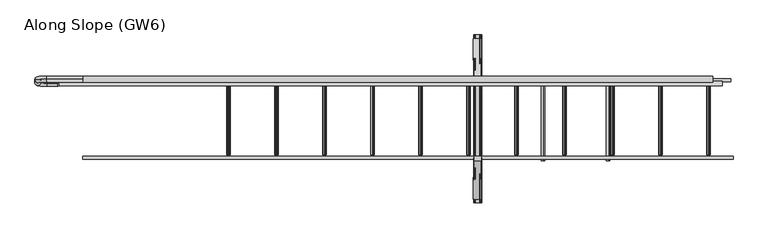
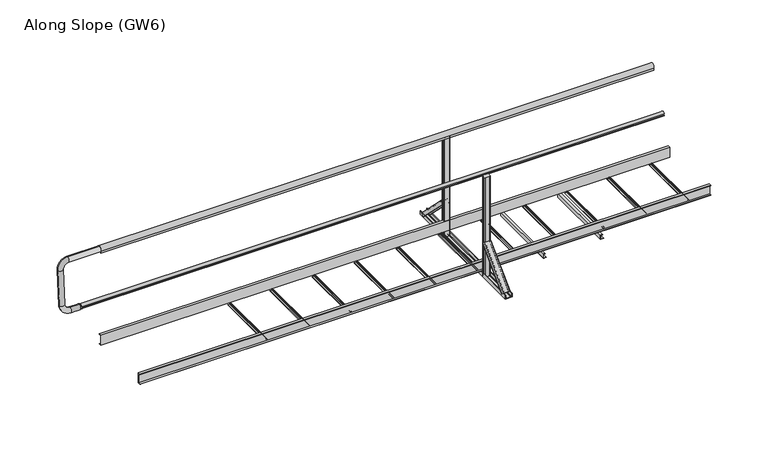
"""IFC4 building model written with IfcOpenShell, lengths in millimetres: proxy geometry, Along Slope (GW6)."""

from ifc_helpers import new_model, si_unit, point, frame, frame_2d, origin, place, context, project, spatial, polyline, circle_curve, ellipse_curve, trimmed, segment, composite_curve, outline, extrude, source, transform, mapped, element, save
from ifc_brep_helpers import plane_surface, cylinder_surface, revolved_surface, extruded_surface, advanced_brep


def along_slope_gw6_f67b24fd(model_context):
    return source(origin(), model_context, "Body", "SolidModel", [
        extrude(outline(polyline([(34.5, 63.0), (9.5, 63.0), (9.5, 163.0), (34.5, 163.0), (34.5, 160.0), (12.5, 160.0), (12.5, 66.0), (34.5, 66.0), (34.5, 63.0)])), frame((0.0, 0.0, 0.0), z_axis=(1.0, 0.0, 0.0), x_axis=(0.0, 1.0, 0.0)), (0.0, 0.0, 1.0), 5400.0),
        advanced_brep(
        [(3320.1666667, 368.6980515, 38.0000003), (3320.1666667, 342.888654, 12.1906028), (3317.1666667, 342.888654, 12.1906028), (3317.1666667, 366.5767312, 35.87868), (3307.1666667, 366.5767312, 35.87868), (3307.1666667, 364.8089642, 34.110913), (3306.1666667, 364.8089642, 34.110913), (3306.1666667, 366.5767312, 35.87868), (3269.1666667, 366.5767312, 35.87868), (3269.1666667, 364.8089642, 34.110913), (3268.1666667, 364.8089642, 34.110913), (3268.1666667, 366.5767312, 35.87868), (3258.1666667, 366.5767312, 35.87868), (3258.1666667, 342.888654, 12.1906028), (3255.1666667, 342.888654, 12.1906028), (3255.1666667, 368.6980515, 38.0000003), (3323.1666667, 50.5, 356.1980519), (3258.1666667, 50.5, 356.1980519), (3258.1666667, 24.6906025, 330.3886543), (3261.1666667, 24.6906025, 330.3886543), (3261.1666667, 48.3786797, 354.0767315), (3271.1666667, 48.3786797, 354.0767315), (3271.1666667, 46.6109127, 352.3089646), (3272.1666667, 46.6109127, 352.3089646), (3272.1666667, 48.3786797, 354.0767315), (3309.1666667, 48.3786797, 354.0767315), (3309.1666667, 46.6109127, 352.3089646), (3310.1666667, 46.6109127, 352.3089646), (3310.1666667, 48.3786797, 354.0767315), (3320.1666667, 48.3786797, 354.0767315), (3320.1666667, 24.6906025, 330.3886543), (3323.1666667, 24.6906025, 330.3886543)],
        [
            (0, 1),
            (1, 2, circle_curve(frame((3318.6666667, 342.888654, 12.1906028), z_axis=(0.0, 0.7071067811865506, -0.7071067811865446), x_axis=(0.0, 0.7071067811865446, 0.7071067811865506)), 1.5)),
            (2, 3),
            (3, 4),
            (4, 5),
            (5, 6, circle_curve(frame((3306.6666667, 364.8089642, 34.110913), z_axis=(0.0, 0.7071067811865506, -0.7071067811865446), x_axis=(0.0, 0.7071067811865446, 0.7071067811865506)), 0.5)),
            (6, 7),
            (7, 8),
            (8, 9),
            (9, 10, circle_curve(frame((3268.6666667, 364.8089642, 34.110913), z_axis=(0.0, 0.7071067811865506, -0.7071067811865446), x_axis=(0.0, 0.7071067811865446, 0.7071067811865506)), 0.5)),
            (10, 11),
            (11, 12),
            (12, 13),
            (13, 14, circle_curve(frame((3256.6666667, 342.888654, 12.1906028), z_axis=(0.0, 0.7071067811865506, -0.7071067811865446), x_axis=(0.0, 0.7071067811865446, 0.7071067811865506)), 1.5)),
            (14, 15),
            (15, 0),
            (16, 17),
            (17, 18),
            (18, 19, circle_curve(frame((3259.6666667, 24.6906025, 330.3886543), z_axis=(0.0, -0.7071067811865506, 0.7071067811865446), x_axis=(0.0, 0.7071067811865446, 0.7071067811865506)), 1.5)),
            (19, 20),
            (20, 21),
            (21, 22),
            (22, 23, circle_curve(frame((3271.6666667, 46.6109127, 352.3089646), z_axis=(0.0, -0.7071067811865506, 0.7071067811865446), x_axis=(0.0, 0.7071067811865446, 0.7071067811865506)), 0.5)),
            (23, 24),
            (24, 25),
            (25, 26),
            (26, 27, circle_curve(frame((3309.6666667, 46.6109127, 352.3089646), z_axis=(0.0, -0.7071067811865506, 0.7071067811865446), x_axis=(0.0, 0.7071067811865446, 0.7071067811865506)), 0.5)),
            (27, 28),
            (28, 29),
            (29, 30),
            (30, 31, circle_curve(frame((3321.6666667, 24.6906025, 330.3886543), z_axis=(0.0, -0.7071067811865506, 0.7071067811865446), x_axis=(0.0, 0.7071067811865446, 0.7071067811865506)), 1.5)),
            (31, 16),
            (31, 1),
            (0, 16),
            (30, 2),
            (29, 3),
            (28, 4),
            (27, 5),
            (26, 6),
            (25, 7),
            (24, 8),
            (23, 9),
            (22, 10),
            (21, 11),
            (20, 12),
            (19, 13),
            (18, 14),
            (17, 15),
        ],
        [
            plane_surface(frame((3287.6666667, 360.4779352, 29.779884), z_axis=(0.0, 0.7071067811865502, -0.7071067811865449), x_axis=(0.0, -0.7071067811865449, -0.7071067811865502))),
            plane_surface(frame((3290.6666667, 42.2798837, 347.9779355), z_axis=(0.0, -0.7071067811865505, 0.7071067811865447), x_axis=(0.0, -0.7071067811865447, -0.7071067811865505))),
            plane_surface(frame((3323.1666667, 37.5953012, 343.2933531), z_axis=(0.9999777785184913, 0.004713940454838276, -0.004713940454838116), x_axis=(0.0, -0.7071067811865449, -0.7071067811865502))),
            extruded_surface(trimmed(circle_curve(frame((3321.6666667, 24.6906025, 330.3886543), z_axis=(0.0, 0.7071067811865506, -0.7071067811865446), x_axis=(0.0, 0.7071067811865446, 0.7071067811865506)), 1.5), [point((3323.1666667, 24.6906025, 330.3886543))], [point((3320.1666667, 24.6906025, 330.3886543))], True, "CARTESIAN"), (-3.0, 318.19805149999996, -318.19805149999996), 450.009999840885),
            plane_surface(frame((3320.1666667, 36.5346411, 342.2326929), z_axis=(-0.9999777785184911, -0.004713940454837886, 0.00471394045483772), x_axis=(0.0, 0.7071067811865445, 0.7071067811865506))),
            plane_surface(frame((3315.1666667, 48.3786797, 354.0767315), z_axis=(0.0, -0.7071067811865455, -0.7071067811865496), x_axis=(-1.0, 0.0, 0.0))),
            plane_surface(frame((3310.1666667, 47.4947962, 353.192848), z_axis=(0.9999777785184913, 0.004713940454838199, -0.0047139404548380325), x_axis=(0.0, -0.7071067811865445, -0.7071067811865507))),
            extruded_surface(trimmed(circle_curve(frame((3309.6666667, 46.6109127, 352.3089646), z_axis=(0.0, 0.7071067811865506, -0.7071067811865446), x_axis=(0.0, 0.7071067811865446, 0.7071067811865506)), 0.5), [point((3310.1666667, 46.6109127, 352.3089646))], [point((3309.1666667, 46.6109127, 352.3089646))], True, "CARTESIAN"), (-3.0, 318.1980515, -318.19805160000004), 450.00999991159415),
            plane_surface(frame((3309.1666667, 47.4947962, 353.192848), z_axis=(-0.9999777785184912, -0.004713940454838169, 0.0047139404548381045), x_axis=(0.0, 0.7071067811865521, 0.707106781186543))),
            plane_surface(frame((3290.6666667, 48.3786797, 354.0767315), z_axis=(0.0, -0.7071067811865461, -0.7071067811865491), x_axis=(-1.0, 0.0, 0.0))),
            plane_surface(frame((3272.1666667, 47.4947962, 353.192848), z_axis=(0.9999777785184911, 0.004713940454838164, -0.004713940454837987), x_axis=(0.0, -0.7071067811865436, -0.7071067811865515))),
            extruded_surface(trimmed(circle_curve(frame((3271.6666667, 46.6109127, 352.3089646), z_axis=(0.0, 0.7071067811865506, -0.7071067811865446), x_axis=(0.0, 0.7071067811865446, 0.7071067811865506)), 0.5), [point((3272.1666667, 46.6109127, 352.3089646))], [point((3271.1666667, 46.6109127, 352.3089646))], True, "CARTESIAN"), (-3.0, 318.1980515, -318.19805160000004), 450.00999991159415),
            plane_surface(frame((3271.1666667, 47.4947962, 353.192848), z_axis=(-0.9999777785184913, -0.004713940454838203, 0.004713940454838003), x_axis=(0.0, 0.7071067811865419, 0.7071067811865532))),
            plane_surface(frame((3266.1666667, 48.3786797, 354.0767315), z_axis=(0.0, -0.7071067811865461, -0.7071067811865491), x_axis=(-1.0, 0.0, 0.0))),
            plane_surface(frame((3261.1666667, 36.5346411, 342.2326929), z_axis=(0.9999777785184911, 0.004713940454838192, -0.004713940454838038), x_axis=(0.0, -0.7071067811865454, -0.7071067811865497))),
            extruded_surface(trimmed(circle_curve(frame((3259.6666667, 24.6906025, 330.3886543), z_axis=(0.0, 0.7071067811865506, -0.7071067811865446), x_axis=(0.0, 0.7071067811865446, 0.7071067811865506)), 1.5), [point((3261.1666667, 24.6906025, 330.3886543))], [point((3258.1666667, 24.6906025, 330.3886543))], True, "CARTESIAN"), (-3.0, 318.19805149999996, -318.19805149999996), 450.009999840885),
            plane_surface(frame((3258.1666667, 37.5953012, 343.2933531), z_axis=(-0.9999777785184911, -0.00471394045483825, 0.004713940454838091), x_axis=(0.0, 0.7071067811865449, 0.7071067811865501))),
            plane_surface(frame((3290.6666667, 50.5, 356.1980519), z_axis=(0.0, 0.7071067811865455, 0.7071067811865497), x_axis=(1.0, 0.0, 0.0))),
        ],
        [
            (0, [[1, 2, 3, 4, 5, 6, 7, 8, 9, 10, 11, 12, 13, 14, 15, 16]]),
            (1, [[17, 18, 19, 20, 21, 22, 23, 24, 25, 26, 27, 28, 29, 30, 31, 32]]),
            (2, [[-32, 33, -1, 34]]),
            (3, [[-31, 35, -2, -33]]),
            (4, [[-30, 36, -3, -35]]),
            (5, [[-29, 37, -4, -36]]),
            (6, [[-28, 38, -5, -37]]),
            (7, [[-27, 39, -6, -38]]),
            (8, [[-26, 40, -7, -39]]),
            (9, [[-25, 41, -8, -40]]),
            (10, [[-24, 42, -9, -41]]),
            (11, [[-23, 43, -10, -42]]),
            (12, [[-22, 44, -11, -43]]),
            (13, [[-21, 45, -12, -44]]),
            (14, [[-20, 46, -13, -45]]),
            (15, [[-19, 47, -14, -46]]),
            (16, [[-18, 48, -15, -47]]),
            (17, [[-17, -34, -16, -48]]),
        ],
    ),
        extrude(outline(composite_curve([segment(trimmed(circle_curve(frame_2d((3313.6666667, 45.5)), 5.0), [point((3313.6666667, 50.5))], [point((3318.6666667, 45.5))], False, "CARTESIAN"), True, "CONTINUOUS"), segment(polyline([(3318.6666667, 45.5), (3318.6666667, 17.5)]), True, "CONTINUOUS"), segment(trimmed(circle_curve(frame_2d((3313.6666667, 17.5)), 5.0), [point((3318.6666667, 17.5))], [point((3313.6666667, 12.5))], False, "CARTESIAN"), True, "CONTINUOUS"), segment(polyline([(3313.6666667, 12.5), (3267.6666667, 12.5)]), True, "CONTINUOUS"), segment(trimmed(circle_curve(frame_2d((3267.6666667, 17.5)), 5.0), [point((3267.6666667, 12.5))], [point((3262.6666667, 17.5))], False, "CARTESIAN"), True, "CONTINUOUS"), segment(polyline([(3262.6666667, 17.5), (3262.6666667, 45.5)]), True, "CONTINUOUS"), segment(trimmed(circle_curve(frame_2d((3267.6666667, 45.5)), 5.0), [point((3262.6666667, 45.5))], [point((3267.6666667, 50.5))], False, "CARTESIAN"), True, "CONTINUOUS"), segment(polyline([(3267.6666667, 50.5), (3313.6666667, 50.5)]), True, "CONTINUOUS")], self_intersect=False)), frame((0.0, 0.0, 3e-07), z_axis=(0.0, 0.0, 1.0), x_axis=(1.0, 0.0, 0.0)), (0.0, 0.0, 1.0), 1003.0),
        extrude(outline(composite_curve([segment(trimmed(circle_curve(frame_2d((3313.6666667, -617.5)), 5.0), [point((3313.6666667, -612.5))], [point((3318.6666667, -617.5))], False, "CARTESIAN"), True, "CONTINUOUS"), segment(polyline([(3318.6666667, -617.5), (3318.6666667, -645.5)]), True, "CONTINUOUS"), segment(trimmed(circle_curve(frame_2d((3313.6666667, -645.5)), 5.0), [point((3318.6666667, -645.5))], [point((3313.6666667, -650.5))], False, "CARTESIAN"), True, "CONTINUOUS"), segment(polyline([(3313.6666667, -650.5), (3267.6666667, -650.5)]), True, "CONTINUOUS"), segment(trimmed(circle_curve(frame_2d((3267.6666667, -645.5)), 5.0), [point((3267.6666667, -650.5))], [point((3262.6666667, -645.5))], False, "CARTESIAN"), True, "CONTINUOUS"), segment(polyline([(3262.6666667, -645.5), (3262.6666667, -617.5)]), True, "CONTINUOUS"), segment(trimmed(circle_curve(frame_2d((3267.6666667, -617.5)), 5.0), [point((3262.6666667, -617.5))], [point((3267.6666667, -612.5))], False, "CARTESIAN"), True, "CONTINUOUS"), segment(polyline([(3267.6666667, -612.5), (3313.6666667, -612.5)]), True, "CONTINUOUS")], self_intersect=False)), frame((0.0, 0.0, 3e-07), z_axis=(0.0, 0.0, 1.0), x_axis=(1.0, 0.0, 0.0)), (0.0, 0.0, 1.0), 1003.0),
        advanced_brep(
        [(3255.1666667, -968.7087394, 38.0000003), (3255.1666667, -942.8993419, 12.1906028), (3258.1666667, -942.8993419, 12.1906028), (3258.1666667, -966.5874191, 35.87868), (3268.1666667, -966.5874191, 35.87868), (3268.1666667, -964.8196521, 34.110913), (3269.1666667, -964.8196521, 34.110913), (3269.1666667, -966.5874191, 35.87868), (3306.1666667, -966.5874191, 35.87868), (3306.1666667, -964.8196521, 34.110913), (3307.1666667, -964.8196521, 34.110913), (3307.1666667, -966.5874191, 35.87868), (3317.1666667, -966.5874191, 35.87868), (3317.1666667, -942.8993419, 12.1906028), (3320.1666667, -942.8993419, 12.1906028), (3320.1666667, -968.7087394, 38.0000003), (3258.1666667, -650.5106879, 356.1980519), (3323.1666667, -650.5106879, 356.1980519), (3323.1666667, -624.7012904, 330.3886543), (3320.1666667, -624.7012904, 330.3886543), (3320.1666667, -648.3893676, 354.0767315), (3310.1666667, -648.3893676, 354.0767315), (3310.1666667, -646.6216006, 352.3089646), (3309.1666667, -646.6216006, 352.3089646), (3309.1666667, -648.3893676, 354.0767315), (3272.1666667, -648.3893676, 354.0767315), (3272.1666667, -646.6216006, 352.3089646), (3271.1666667, -646.6216006, 352.3089646), (3271.1666667, -648.3893676, 354.0767315), (3261.1666667, -648.3893676, 354.0767315), (3261.1666667, -624.7012904, 330.3886543), (3258.1666667, -624.7012904, 330.3886543)],
        [
            (0, 1),
            (1, 2, circle_curve(frame((3256.6666667, -942.8993419, 12.1906028), z_axis=(0.0, -0.7071067811865432, -0.7071067811865519), x_axis=(0.0, 0.7071067811865519, -0.7071067811865432)), 1.5)),
            (2, 3),
            (3, 4),
            (4, 5),
            (5, 6, circle_curve(frame((3268.6666667, -964.8196521, 34.110913), z_axis=(0.0, -0.7071067811865432, -0.7071067811865519), x_axis=(0.0, 0.7071067811865519, -0.7071067811865432)), 0.5)),
            (6, 7),
            (7, 8),
            (8, 9),
            (9, 10, circle_curve(frame((3306.6666667, -964.8196521, 34.110913), z_axis=(0.0, -0.7071067811865432, -0.7071067811865519), x_axis=(0.0, 0.7071067811865519, -0.7071067811865432)), 0.5)),
            (10, 11),
            (11, 12),
            (12, 13),
            (13, 14, circle_curve(frame((3318.6666667, -942.8993419, 12.1906028), z_axis=(0.0, -0.7071067811865432, -0.7071067811865519), x_axis=(0.0, 0.7071067811865519, -0.7071067811865432)), 1.5)),
            (14, 15),
            (15, 0),
            (16, 17),
            (17, 18),
            (18, 19, circle_curve(frame((3321.6666667, -624.7012904, 330.3886543), z_axis=(0.0, 0.7071067811865432, 0.7071067811865519), x_axis=(0.0, 0.7071067811865519, -0.7071067811865432)), 1.5)),
            (19, 20),
            (20, 21),
            (21, 22),
            (22, 23, circle_curve(frame((3309.6666667, -646.6216006, 352.3089646), z_axis=(0.0, 0.7071067811865432, 0.7071067811865519), x_axis=(0.0, 0.7071067811865519, -0.7071067811865432)), 0.5)),
            (23, 24),
            (24, 25),
            (25, 26),
            (26, 27, circle_curve(frame((3271.6666667, -646.6216006, 352.3089646), z_axis=(0.0, 0.7071067811865432, 0.7071067811865519), x_axis=(0.0, 0.7071067811865519, -0.7071067811865432)), 0.5)),
            (27, 28),
            (28, 29),
            (29, 30),
            (30, 31, circle_curve(frame((3259.6666667, -624.7012904, 330.3886543), z_axis=(0.0, 0.7071067811865432, 0.7071067811865519), x_axis=(0.0, 0.7071067811865519, -0.7071067811865432)), 1.5)),
            (31, 16),
            (31, 1),
            (0, 16),
            (30, 2),
            (29, 3),
            (28, 4),
            (27, 5),
            (26, 6),
            (25, 7),
            (24, 8),
            (23, 9),
            (22, 10),
            (21, 11),
            (20, 12),
            (19, 13),
            (18, 14),
            (17, 15),
        ],
        [
            plane_surface(frame((3287.6666667, -960.4886231, 29.779884), z_axis=(0.0, -0.707106781186543, -0.7071067811865521), x_axis=(0.0, 0.7071067811865521, -0.707106781186543))),
            plane_surface(frame((3290.6666667, -642.2905716, 347.9779355), z_axis=(0.0, 0.7071067811865432, 0.7071067811865519), x_axis=(0.0, 0.7071067811865519, -0.7071067811865432))),
            plane_surface(frame((3258.1666667, -637.6059891, 343.2933531), z_axis=(-0.9999777785184912, 0.004713940454842057, 0.004713940454841993), x_axis=(0.0, 0.7071067811865521, -0.707106781186543))),
            extruded_surface(trimmed(circle_curve(frame((3259.6666667, -624.7012904, 330.3886543), z_axis=(0.0, -0.7071067811865432, -0.7071067811865519), x_axis=(0.0, 0.7071067811865519, -0.7071067811865432)), 1.5), [point((3258.1666667, -624.7012904, 330.3886543))], [point((3261.1666667, -624.7012904, 330.3886543))], True, "CARTESIAN"), (-3.0, -318.1980515, -318.19805149999996), 450.009999840885),
            plane_surface(frame((3261.1666667, -636.545329, 342.2326929), z_axis=(0.9999777785184912, -0.004713940454842057, -0.004713940454841993), x_axis=(0.0, -0.7071067811865521, 0.707106781186543))),
            plane_surface(frame((3266.1666667, -648.3893676, 354.0767315), z_axis=(0.0, 0.7071067811865525, -0.7071067811865427), x_axis=(1.0, 0.0, 0.0))),
            plane_surface(frame((3271.1666667, -647.5054841, 353.192848), z_axis=(-0.9999777785184911, 0.004713940454842033, 0.004713940454842016), x_axis=(0.0, 0.7071067811865557, -0.7071067811865394))),
            extruded_surface(trimmed(circle_curve(frame((3271.6666667, -646.6216006, 352.3089646), z_axis=(0.0, -0.7071067811865432, -0.7071067811865519), x_axis=(0.0, 0.7071067811865519, -0.7071067811865432)), 0.5), [point((3271.1666667, -646.6216006, 352.3089646))], [point((3272.1666667, -646.6216006, 352.3089646))], True, "CARTESIAN"), (-3.0, -318.1980515, -318.19805160000004), 450.00999991159415),
            plane_surface(frame((3272.1666667, -647.5054841, 353.192848), z_axis=(0.9999777785184911, -0.004713940454842045, -0.004713940454842029), x_axis=(0.0, -0.7071067811865557, 0.7071067811865394))),
            plane_surface(frame((3290.6666667, -648.3893676, 354.0767315), z_axis=(0.0, 0.7071067811865525, -0.7071067811865427), x_axis=(1.0, 0.0, 0.0))),
            plane_surface(frame((3309.1666667, -647.5054841, 353.192848), z_axis=(-0.9999777785184911, 0.004713940454842039, 0.004713940454842022), x_axis=(0.0, 0.7071067811865557, -0.7071067811865394))),
            extruded_surface(trimmed(circle_curve(frame((3309.6666667, -646.6216006, 352.3089646), z_axis=(0.0, -0.7071067811865432, -0.7071067811865519), x_axis=(0.0, 0.7071067811865519, -0.7071067811865432)), 0.5), [point((3309.1666667, -646.6216006, 352.3089646))], [point((3310.1666667, -646.6216006, 352.3089646))], True, "CARTESIAN"), (-3.0, -318.1980515, -318.19805160000004), 450.00999991159415),
            plane_surface(frame((3310.1666667, -647.5054841, 353.192848), z_axis=(0.9999777785184911, -0.004713940454842066, -0.004713940454841994), x_axis=(0.0, -0.7071067811865515, 0.7071067811865436))),
            plane_surface(frame((3315.1666667, -648.3893676, 354.0767315), z_axis=(0.0, 0.7071067811865522, -0.707106781186543), x_axis=(1.0, 0.0, 0.0))),
            plane_surface(frame((3320.1666667, -636.545329, 342.2326929), z_axis=(-0.9999777785184911, 0.004713940454842064, 0.004713940454841998), x_axis=(0.0, 0.707106781186552, -0.7071067811865431))),
            extruded_surface(trimmed(circle_curve(frame((3321.6666667, -624.7012904, 330.3886543), z_axis=(0.0, -0.7071067811865432, -0.7071067811865519), x_axis=(0.0, 0.7071067811865519, -0.7071067811865432)), 1.5), [point((3320.1666667, -624.7012904, 330.3886543))], [point((3323.1666667, -624.7012904, 330.3886543))], True, "CARTESIAN"), (-3.0, -318.1980515, -318.19805149999996), 450.009999840885),
            plane_surface(frame((3323.1666667, -637.6059891, 343.2933531), z_axis=(0.9999777785184913, -0.004713940454842066, -0.004713940454841998), x_axis=(0.0, -0.7071067811865519, 0.7071067811865432))),
            plane_surface(frame((3290.6666667, -650.5106879, 356.1980519), z_axis=(0.0, -0.7071067811865526, 0.7071067811865427), x_axis=(-1.0, 0.0, 0.0))),
        ],
        [
            (0, [[1, 2, 3, 4, 5, 6, 7, 8, 9, 10, 11, 12, 13, 14, 15, 16]]),
            (1, [[17, 18, 19, 20, 21, 22, 23, 24, 25, 26, 27, 28, 29, 30, 31, 32]]),
            (2, [[-32, 33, -1, 34]]),
            (3, [[-31, 35, -2, -33]]),
            (4, [[-30, 36, -3, -35]]),
            (5, [[-29, 37, -4, -36]]),
            (6, [[-28, 38, -5, -37]]),
            (7, [[-27, 39, -6, -38]]),
            (8, [[-26, 40, -7, -39]]),
            (9, [[-25, 41, -8, -40]]),
            (10, [[-24, 42, -9, -41]]),
            (11, [[-23, 43, -10, -42]]),
            (12, [[-22, 44, -11, -43]]),
            (13, [[-21, 45, -12, -44]]),
            (14, [[-20, 46, -13, -45]]),
            (15, [[-19, 47, -14, -46]]),
            (16, [[-18, 48, -15, -47]]),
            (17, [[-17, -34, -16, -48]]),
        ],
    ),
        extrude(outline(composite_curve([segment(polyline([(3e-07, 3258.1666667), (3e-07, 3323.1666667), (36.5000003, 3323.1666667)]), True, "CONTINUOUS"), segment(trimmed(circle_curve(frame_2d((36.5000003, 3321.6666667)), 1.5), [point((36.5000003, 3323.1666667))], [point((36.5000003, 3320.1666667))], False, "CARTESIAN"), True, "CONTINUOUS"), segment(polyline([(36.5000003, 3320.1666667), (3.0000003, 3320.1666667), (3.0000003, 3310.1666667), (5.5000003, 3310.1666667)]), True, "CONTINUOUS"), segment(trimmed(circle_curve(frame_2d((5.5000003, 3309.6666667)), 0.5), [point((5.5000003, 3310.1666667))], [point((5.5000003, 3309.1666667))], False, "CARTESIAN"), True, "CONTINUOUS"), segment(polyline([(5.5000003, 3309.1666667), (3.0000003, 3309.1666667), (3.0000003, 3272.1666667), (5.5000003, 3272.1666667)]), True, "CONTINUOUS"), segment(trimmed(circle_curve(frame_2d((5.5000003, 3271.6666667)), 0.5), [point((5.5000003, 3272.1666667))], [point((5.5000003, 3271.1666667))], False, "CARTESIAN"), True, "CONTINUOUS"), segment(polyline([(5.5000003, 3271.1666667), (3.0000003, 3271.1666667), (3.0000003, 3261.1666667), (36.5000003, 3261.1666667)]), True, "CONTINUOUS"), segment(trimmed(circle_curve(frame_2d((36.5000003, 3259.6666667)), 1.5), [point((36.5000003, 3261.1666667))], [point((36.5000003, 3258.1666667))], False, "CARTESIAN"), True, "CONTINUOUS"), segment(polyline([(36.5000003, 3258.1666667), (3e-07, 3258.1666667)]), True, "CONTINUOUS")], self_intersect=False)), frame((0.0, -1000.0, 0.0), z_axis=(0.0, 1.0, 0.0), x_axis=(0.0, 0.0, 1.0)), (0.0, 0.0, 1.0), 1400.0),
        advanced_brep(
        [(-200.0, -3.2, 513.0), (-200.0, -3.2, 553.0), (-210.0, -3.2, 508.0), (-210.0, -3.2, 558.0)],
        [
            (0, 1, circle_curve(frame((-200.0, -3.2, 533.0), z_axis=(1.0, 0.0, 0.0), x_axis=(0.0, 0.0, 1.0)), 20.0)),
            (1, 0, circle_curve(frame((-200.0, -3.2, 533.0), z_axis=(1.0, 0.0, 0.0), x_axis=(0.0, 0.0, -1.0)), 20.0)),
            (2, 3, circle_curve(frame((-210.0, -3.2, 533.0), z_axis=(-1.0, 0.0, 0.0), x_axis=(0.0, 0.0, -1.0)), 25.0)),
            (3, 2, circle_curve(frame((-210.0, -3.2, 533.0), z_axis=(-1.0, 0.0, 0.0), x_axis=(0.0, 0.0, 1.0)), 25.0)),
            (2, 0),
            (1, 3),
        ],
        [
            plane_surface(frame((-200.0, -3.2, 533.0), z_axis=(1.0, 0.0, 0.0), x_axis=(0.0, -1.0, 0.0))),
            plane_surface(frame((-210.0, -3.2, 533.0), z_axis=(-1.0, 0.0, 0.0), x_axis=(0.0, -1.0, 0.0))),
            revolved_surface(polyline([(-200.0, -3.2, 513.0), (-210.0, -3.2, 508.0)]), (-160.0, -3.2, 533.0), (-1.0, 0.0, 0.0)),
            revolved_surface(polyline([(-200.0, -3.2, 553.0), (-210.0, -3.2, 558.0)]), (-160.0, -3.2, 533.0), (-1.0, 0.0, 0.0)),
        ],
        [
            (0, [[1, 2]]),
            (1, [[3, 4]]),
            (2, [[5, -2, 6, -3]]),
            (3, [[-6, -1, -5, -4]]),
        ],
    ),
        advanced_brep(
        [(0.0, 33.2768095, 1044.936779), (0.0, 29.7231905, 995.063221), (-300.0, 29.7231905, 995.063221), (-300.0, 33.2768095, 1044.936779), (-350.0, 26.1695715, 945.1896629), (-400.0, 26.1695715, 945.1896629), (-350.0, 2.1399996, 607.9446635), (-400.0, 2.1399996, 607.9446635), (-300.0, -1.4136194, 558.0711054), (-300.0, -4.9672384, 508.1975474), (-210.0, -4.9672384, 508.1975474), (-210.0, -1.4136194, 558.0711054)],
        [
            (0, 1, circle_curve(frame((0.0, 31.5, 1020.0), z_axis=(1.0, 0.0, 0.0), x_axis=(0.0, -0.07107238045512838, -0.9974711608545089)), 25.0)),
            (1, 0, circle_curve(frame((0.0, 31.5, 1020.0), z_axis=(1.0, 0.0, 0.0), x_axis=(0.0, -0.07107238045512838, -0.9974711608545089)), 25.0)),
            (1, 2),
            (2, 3, circle_curve(frame((-300.0, 31.5, 1020.0), z_axis=(1.0, 0.0, 0.0), x_axis=(0.0, -0.07107238045512838, -0.9974711608545089)), 25.0)),
            (3, 0),
            (3, 2, circle_curve(frame((-300.0, 31.5, 1020.0), z_axis=(1.0, 0.0, 0.0), x_axis=(0.0, -0.07107238045512838, -0.9974711608545089)), 25.0)),
            (4, 5, circle_curve(frame((-375.0, 26.1695715, 945.1896629), z_axis=(0.0, 0.07107238045512838, 0.9974711608545089), x_axis=(1.0000000000000002, 0.0, 0.0)), 25.0)),
            (5, 3, circle_curve(frame((-300.0, 26.1695715, 945.1896629), z_axis=(0.0, 0.9974711608545089, -0.07107238045512838), x_axis=(0.0, 0.07107238045512838, 0.9974711608545089)), 100.0)),
            (2, 4, circle_curve(frame((-300.0, 26.1695715, 945.1896629), z_axis=(0.0, -0.9974711608545089, 0.07107238045512838), x_axis=(0.0, 0.07107238045512838, 0.9974711608545089)), 50.0)),
            (5, 4, circle_curve(frame((-375.0, 26.1695715, 945.1896629), z_axis=(0.0, 0.07107238045512838, 0.9974711608545089), x_axis=(1.0000000000000002, 0.0, 0.0)), 25.0)),
            (4, 6),
            (6, 7, circle_curve(frame((-375.0, 2.1399996, 607.9446635), z_axis=(0.0, 0.07107238045512841, 0.997471160854509), x_axis=(1.0, 0.0, 0.0)), 25.0)),
            (7, 5),
            (7, 6, circle_curve(frame((-375.0, 2.1399996, 607.9446635), z_axis=(0.0, 0.07107238045512841, 0.997471160854509), x_axis=(1.0, 0.0, 0.0)), 25.0)),
            (8, 9, circle_curve(frame((-300.0, -3.1904289, 533.1343264), z_axis=(-1.0, 0.0, 0.0), x_axis=(0.0, 0.0710723804551284, 0.9974711608545089)), 25.0)),
            (9, 7, circle_curve(frame((-300.0, 2.1399996, 607.9446635), z_axis=(0.0, 0.9974711608545089, -0.07107238045512838), x_axis=(-1.0, 0.0, 0.0)), 100.0)),
            (6, 8, circle_curve(frame((-300.0, 2.1399996, 607.9446635), z_axis=(0.0, -0.9974711608545089, 0.07107238045512838), x_axis=(-1.0, 0.0, 0.0)), 50.0)),
            (9, 8, circle_curve(frame((-300.0, -3.1904289, 533.1343264), z_axis=(-1.0, 0.0, 0.0), x_axis=(0.0, 0.0710723804551284, 0.9974711608545089)), 25.0)),
            (10, 11, circle_curve(frame((-210.0, -3.1904289, 533.1343264), z_axis=(1.0, 0.0, 0.0), x_axis=(0.0, 0.07107238045512838, 0.9974711608545089)), 25.0)),
            (11, 10, circle_curve(frame((-210.0, -3.1904289, 533.1343264), z_axis=(1.0, 0.0, 0.0), x_axis=(0.0, 0.07107238045512838, 0.9974711608545089)), 25.0)),
            (8, 11),
            (10, 9),
        ],
        [
            plane_surface(frame((0.0, 33.2768095, 1044.936779), z_axis=(1.0, 0.0, 0.0), x_axis=(0.0, 0.9974711608545089, -0.07107238045512838))),
            cylinder_surface(frame((0.0, 31.5, 1020.0), z_axis=(1.0000000000000002, 0.0, 0.0), x_axis=(0.0, -0.07107238045512838, -0.9974711608545089)), 25.0),
            revolved_surface(trimmed(ellipse_curve(frame((-300.0, 31.5, 1020.0), z_axis=(-1.0000000000000002, 0.0, 0.0), x_axis=(0.0, -0.07107238045512838, -0.9974711608545089)), 25.0, 25.0), [point((-300.0, 33.2768095, 1044.936779))], [point((-300.0, 29.7231905, 995.063221))], True, "CARTESIAN"), (-300.0, 26.1695715, 945.1896629), (0.0, 0.9974711608545089, -0.07107238045512838)),
            revolved_surface(trimmed(ellipse_curve(frame((-300.0, 31.5, 1020.0), z_axis=(-1.0000000000000002, 0.0, 0.0), x_axis=(0.0, -0.07107238045512838, -0.9974711608545089)), 25.0, 25.0), [point((-300.0, 29.7231905, 995.063221))], [point((-300.0, 33.2768095, 1044.936779))], True, "CARTESIAN"), (-300.0, 26.1695715, 945.1896629), (0.0, 0.9974711608545089, -0.07107238045512838)),
            cylinder_surface(frame((-375.0, 26.1695715, 945.1896629), z_axis=(0.0, 0.0710723804551284, 0.9974711608545088), x_axis=(1.0, 0.0, 0.0)), 25.0),
            revolved_surface(trimmed(ellipse_curve(frame((-375.0, 2.1399996, 607.9446635), z_axis=(0.0, -0.07107238045512841, -0.9974711608545089), x_axis=(1.0, 0.0, 0.0)), 25.0, 25.0), [point((-400.0, 2.1399996, 607.9446635))], [point((-350.0, 2.1399996, 607.9446635))], True, "CARTESIAN"), (-300.0, 2.1399996, 607.9446635), (0.0, 0.9974711608545089, -0.07107238045512838)),
            revolved_surface(trimmed(ellipse_curve(frame((-375.0, 2.1399996, 607.9446635), z_axis=(0.0, -0.07107238045512841, -0.9974711608545089), x_axis=(1.0, 0.0, 0.0)), 25.0, 25.0), [point((-350.0, 2.1399996, 607.9446635))], [point((-400.0, 2.1399996, 607.9446635))], True, "CARTESIAN"), (-300.0, 2.1399996, 607.9446635), (0.0, 0.9974711608545089, -0.07107238045512838)),
            plane_surface(frame((-210.0, -4.9672384, 508.1975474), z_axis=(1.0, 0.0, 0.0), x_axis=(0.0, 0.9974711608545089, -0.07107238045512838))),
            cylinder_surface(frame((-300.0, -3.1904289, 533.1343264), z_axis=(-1.0, 0.0, 0.0), x_axis=(0.0, 0.07107238045512838, 0.9974711608545089)), 25.0),
        ],
        [
            (0, [[1, 2]]),
            (1, [[3, 4, 5, -2]]),
            (1, [[-5, 6, -3, -1]]),
            (2, [[7, 8, -4, 9]]),
            (3, [[10, -9, -6, -8]]),
            (4, [[11, 12, 13, -7]]),
            (4, [[-13, 14, -11, -10]]),
            (5, [[15, 16, -12, 17]]),
            (6, [[18, -17, -14, -16]]),
            (7, [[19, 20]]),
            (8, [[21, -19, 22, -15]]),
            (8, [[-22, -20, -21, -18]]),
        ],
    ),
        extrude(outline(composite_curve([segment(trimmed(circle_curve(frame_2d((31.5, 1020.0)), 25.0), [point((10.5, 1006.43534))], [point((52.5, 1006.43534))], False, "CARTESIAN"), True, "CONTINUOUS"), segment(polyline([(52.5, 1006.43534), (52.5, 988.0), (51.5, 988.0), (51.5, 1003.0), (11.5, 1003.0), (11.5, 988.0), (10.5, 988.0), (10.5, 1006.43534)]), True, "CONTINUOUS")], self_intersect=False)), frame((0.0, 0.0, 0.0), z_axis=(1.0, 0.0, 0.0), x_axis=(0.0, 1.0, 0.0)), (0.0, 0.0, 1.0), 5250.0),
        extrude(outline(composite_curve([segment(polyline([(-21.8, 525.617273), (-17.8, 525.617273), (-17.8, 540.382727), (-21.8, 540.382727)]), True, "CONTINUOUS"), segment(trimmed(circle_curve(frame_2d((-3.212495, 533.0)), 20.0), [point((-21.8, 540.382727))], [point((12.5, 545.3740657))], False, "CARTESIAN"), True, "CONTINUOUS"), segment(polyline([(12.5, 545.3740657), (12.5, 520.6259343)]), True, "CONTINUOUS"), segment(trimmed(circle_curve(frame_2d((-3.212495, 533.0)), 20.0), [point((12.5, 520.6259343))], [point((-21.8, 525.617273))], False, "CARTESIAN"), True, "CONTINUOUS")], self_intersect=False)), frame((-200.0, 0.0, 0.0), z_axis=(1.0, 0.0, 0.0), x_axis=(0.0, 1.0, 0.0)), (0.0, 0.0, 1.0), 5530.0),
        extrude(outline(polyline([(-634.5, 63.0), (-634.5, 66.0), (-612.5, 66.0), (-612.5, 160.0), (-634.5, 160.0), (-634.5, 163.0), (-609.5, 163.0), (-609.5, 63.0), (-634.5, 63.0)])), frame((0.0, 0.0, 0.0), z_axis=(1.0, 0.0, 0.0), x_axis=(0.0, 1.0, 0.0)), (0.0, 0.0, 1.0), 5420.0),
        extrude(outline(polyline([(3e-07, 4393.2222222), (2.0000003, 4393.2222222), (2.0000003, 4365.2222222), (38.0000003, 4365.2222222), (38.0000003, 4383.2222222), (40.0000003, 4383.2222222), (40.0000003, 4363.2222222), (3e-07, 4363.2222222), (3e-07, 4393.2222222)])), frame((0.0, -650.0, 0.0), z_axis=(0.0, 1.0, 0.0), x_axis=(0.0, 0.0, 1.0)), (0.0, 0.0, 1.0), 700.0),
        extrude(outline(polyline([(3e-07, 3849.4444444), (2.0000003, 3849.4444444), (2.0000003, 3821.4444444), (38.0000003, 3821.4444444), (38.0000003, 3839.4444444), (40.0000003, 3839.4444444), (40.0000003, 3819.4444444), (3e-07, 3819.4444444), (3e-07, 3849.4444444)])), frame((0.0, -650.0, 0.0), z_axis=(0.0, 1.0, 0.0), x_axis=(0.0, 0.0, 1.0)), (0.0, 0.0, 1.0), 700.0),
        extrude(outline(composite_curve([segment(trimmed(circle_curve(frame_2d((62.9683907, 5223.75)), 6.25), [point((67.8614305, 5219.8614704))], [point((60.2402402, 5218.1268608))], False, "CARTESIAN"), True, "CONTINUOUS"), segment(trimmed(circle_curve(frame_2d((59.3468026, 5216.2853478)), 2.0468026), [point((60.2402402, 5218.1268608))], [point((57.3, 5216.2853478))], True, "CARTESIAN"), True, "CONTINUOUS"), segment(polyline([(57.3, 5216.2853478), (57.3, 5201.5)]), True, "CONTINUOUS"), segment(trimmed(circle_curve(frame_2d((55.8, 5201.5)), 1.5), [point((57.3, 5201.5))], [point((55.8, 5200.0))], False, "CARTESIAN"), True, "CONTINUOUS"), segment(polyline([(55.8, 5200.0), (55.0, 5200.0), (55.0, 5221.9783691)]), True, "CONTINUOUS"), segment(trimmed(circle_curve(frame_2d((64.084859, 5221.098018)), 9.1274138), [point((55.0, 5221.9783691))], [point((60.5433217, 5229.510342))], False, "CARTESIAN"), True, "CONTINUOUS"), segment(trimmed(circle_curve(frame_2d((62.9683907, 5223.75)), 6.25), [point((60.5433217, 5229.510342))], [point((67.8614305, 5227.6385296))], False, "CARTESIAN"), True, "CONTINUOUS"), segment(trimmed(circle_curve(frame_2d((67.2653483, 5227.1648193)), 0.7613904), [point((67.8614305, 5227.6385296))], [point((66.7916381, 5226.5687372))], False, "CARTESIAN"), True, "CONTINUOUS"), segment(trimmed(circle_curve(frame_2d((62.9683907, 5223.75)), 4.75), [point((66.7916381, 5226.5687372))], [point((66.7916381, 5220.9312628))], True, "CARTESIAN"), True, "CONTINUOUS"), segment(trimmed(circle_curve(frame_2d((67.2653483, 5220.3351807)), 0.7613904), [point((66.7916381, 5220.9312628))], [point((67.8614305, 5219.8614704))], False, "CARTESIAN"), True, "CONTINUOUS")], self_intersect=False)), frame((0.0, -600.0, 0.0), z_axis=(0.0, 1.0, 0.0), x_axis=(0.0, 0.0, 1.0)), (0.0, 0.0, 1.0), 600.0),
        extrude(outline(composite_curve([segment(trimmed(circle_curve(frame_2d((62.9683907, 4823.75)), 6.25), [point((67.8614305, 4819.8614704))], [point((60.2402402, 4818.1268608))], False, "CARTESIAN"), True, "CONTINUOUS"), segment(trimmed(circle_curve(frame_2d((59.3468026, 4816.2853478)), 2.0468026), [point((60.2402402, 4818.1268608))], [point((57.3, 4816.2853478))], True, "CARTESIAN"), True, "CONTINUOUS"), segment(polyline([(57.3, 4816.2853478), (57.3, 4801.5)]), True, "CONTINUOUS"), segment(trimmed(circle_curve(frame_2d((55.8, 4801.5)), 1.5), [point((57.3, 4801.5))], [point((55.8, 4800.0))], False, "CARTESIAN"), True, "CONTINUOUS"), segment(polyline([(55.8, 4800.0), (55.0, 4800.0), (55.0, 4821.9783691)]), True, "CONTINUOUS"), segment(trimmed(circle_curve(frame_2d((64.084859, 4821.098018)), 9.1274138), [point((55.0, 4821.9783691))], [point((60.5433217, 4829.510342))], False, "CARTESIAN"), True, "CONTINUOUS"), segment(trimmed(circle_curve(frame_2d((62.9683907, 4823.75)), 6.25), [point((60.5433217, 4829.510342))], [point((67.8614305, 4827.6385296))], False, "CARTESIAN"), True, "CONTINUOUS"), segment(trimmed(circle_curve(frame_2d((67.2653483, 4827.1648193)), 0.7613904), [point((67.8614305, 4827.6385296))], [point((66.7916381, 4826.5687372))], False, "CARTESIAN"), True, "CONTINUOUS"), segment(trimmed(circle_curve(frame_2d((62.9683907, 4823.75)), 4.75), [point((66.7916381, 4826.5687372))], [point((66.7916381, 4820.9312628))], True, "CARTESIAN"), True, "CONTINUOUS"), segment(trimmed(circle_curve(frame_2d((67.2653483, 4820.3351807)), 0.7613904), [point((66.7916381, 4820.9312628))], [point((67.8614305, 4819.8614704))], False, "CARTESIAN"), True, "CONTINUOUS")], self_intersect=False)), frame((0.0, -600.0, 0.0), z_axis=(0.0, 1.0, 0.0), x_axis=(0.0, 0.0, 1.0)), (0.0, 0.0, 1.0), 600.0),
        extrude(outline(composite_curve([segment(trimmed(circle_curve(frame_2d((62.9683907, 4423.75)), 6.25), [point((67.8614305, 4419.8614704))], [point((60.2402402, 4418.1268608))], False, "CARTESIAN"), True, "CONTINUOUS"), segment(trimmed(circle_curve(frame_2d((59.3468026, 4416.2853478)), 2.0468026), [point((60.2402402, 4418.1268608))], [point((57.3, 4416.2853478))], True, "CARTESIAN"), True, "CONTINUOUS"), segment(polyline([(57.3, 4416.2853478), (57.3, 4401.5)]), True, "CONTINUOUS"), segment(trimmed(circle_curve(frame_2d((55.8, 4401.5)), 1.5), [point((57.3, 4401.5))], [point((55.8, 4400.0))], False, "CARTESIAN"), True, "CONTINUOUS"), segment(polyline([(55.8, 4400.0), (55.0, 4400.0), (55.0, 4421.9783691)]), True, "CONTINUOUS"), segment(trimmed(circle_curve(frame_2d((64.084859, 4421.098018)), 9.1274138), [point((55.0, 4421.9783691))], [point((60.5433217, 4429.510342))], False, "CARTESIAN"), True, "CONTINUOUS"), segment(trimmed(circle_curve(frame_2d((62.9683907, 4423.75)), 6.25), [point((60.5433217, 4429.510342))], [point((67.8614305, 4427.6385296))], False, "CARTESIAN"), True, "CONTINUOUS"), segment(trimmed(circle_curve(frame_2d((67.2653483, 4427.1648193)), 0.7613904), [point((67.8614305, 4427.6385296))], [point((66.7916381, 4426.5687372))], False, "CARTESIAN"), True, "CONTINUOUS"), segment(trimmed(circle_curve(frame_2d((62.9683907, 4423.75)), 4.75), [point((66.7916381, 4426.5687372))], [point((66.7916381, 4420.9312628))], True, "CARTESIAN"), True, "CONTINUOUS"), segment(trimmed(circle_curve(frame_2d((67.2653483, 4420.3351807)), 0.7613904), [point((66.7916381, 4420.9312628))], [point((67.8614305, 4419.8614704))], False, "CARTESIAN"), True, "CONTINUOUS")], self_intersect=False)), frame((0.0, -600.0, 0.0), z_axis=(0.0, 1.0, 0.0), x_axis=(0.0, 0.0, 1.0)), (0.0, 0.0, 1.0), 600.0),
        extrude(outline(composite_curve([segment(trimmed(circle_curve(frame_2d((62.9683907, 4023.75)), 6.25), [point((67.8614305, 4019.8614704))], [point((60.2402402, 4018.1268608))], False, "CARTESIAN"), True, "CONTINUOUS"), segment(trimmed(circle_curve(frame_2d((59.3468026, 4016.2853478)), 2.0468026), [point((60.2402402, 4018.1268608))], [point((57.3, 4016.2853478))], True, "CARTESIAN"), True, "CONTINUOUS"), segment(polyline([(57.3, 4016.2853478), (57.3, 4001.5)]), True, "CONTINUOUS"), segment(trimmed(circle_curve(frame_2d((55.8, 4001.5)), 1.5), [point((57.3, 4001.5))], [point((55.8, 4000.0))], False, "CARTESIAN"), True, "CONTINUOUS"), segment(polyline([(55.8, 4000.0), (55.0, 4000.0), (55.0, 4021.9783691)]), True, "CONTINUOUS"), segment(trimmed(circle_curve(frame_2d((64.084859, 4021.098018)), 9.1274138), [point((55.0, 4021.9783691))], [point((60.5433217, 4029.510342))], False, "CARTESIAN"), True, "CONTINUOUS"), segment(trimmed(circle_curve(frame_2d((62.9683907, 4023.75)), 6.25), [point((60.5433217, 4029.510342))], [point((67.8614305, 4027.6385296))], False, "CARTESIAN"), True, "CONTINUOUS"), segment(trimmed(circle_curve(frame_2d((67.2653483, 4027.1648193)), 0.7613904), [point((67.8614305, 4027.6385296))], [point((66.7916381, 4026.5687372))], False, "CARTESIAN"), True, "CONTINUOUS"), segment(trimmed(circle_curve(frame_2d((62.9683907, 4023.75)), 4.75), [point((66.7916381, 4026.5687372))], [point((66.7916381, 4020.9312628))], True, "CARTESIAN"), True, "CONTINUOUS"), segment(trimmed(circle_curve(frame_2d((67.2653483, 4020.3351807)), 0.7613904), [point((66.7916381, 4020.9312628))], [point((67.8614305, 4019.8614704))], False, "CARTESIAN"), True, "CONTINUOUS")], self_intersect=False)), frame((0.0, -600.0, 0.0), z_axis=(0.0, 1.0, 0.0), x_axis=(0.0, 0.0, 1.0)), (0.0, 0.0, 1.0), 600.0),
        extrude(outline(composite_curve([segment(trimmed(circle_curve(frame_2d((62.9683907, 3623.75)), 6.25), [point((67.8614305, 3619.8614704))], [point((60.2402402, 3618.1268608))], False, "CARTESIAN"), True, "CONTINUOUS"), segment(trimmed(circle_curve(frame_2d((59.3468026, 3616.2853478)), 2.0468026), [point((60.2402402, 3618.1268608))], [point((57.3, 3616.2853478))], True, "CARTESIAN"), True, "CONTINUOUS"), segment(polyline([(57.3, 3616.2853478), (57.3, 3601.5)]), True, "CONTINUOUS"), segment(trimmed(circle_curve(frame_2d((55.8, 3601.5)), 1.5), [point((57.3, 3601.5))], [point((55.8, 3600.0))], False, "CARTESIAN"), True, "CONTINUOUS"), segment(polyline([(55.8, 3600.0), (55.0, 3600.0), (55.0, 3621.9783691)]), True, "CONTINUOUS"), segment(trimmed(circle_curve(frame_2d((64.084859, 3621.098018)), 9.1274138), [point((55.0, 3621.9783691))], [point((60.5433217, 3629.510342))], False, "CARTESIAN"), True, "CONTINUOUS"), segment(trimmed(circle_curve(frame_2d((62.9683907, 3623.75)), 6.25), [point((60.5433217, 3629.510342))], [point((67.8614305, 3627.6385296))], False, "CARTESIAN"), True, "CONTINUOUS"), segment(trimmed(circle_curve(frame_2d((67.2653483, 3627.1648193)), 0.7613904), [point((67.8614305, 3627.6385296))], [point((66.7916381, 3626.5687372))], False, "CARTESIAN"), True, "CONTINUOUS"), segment(trimmed(circle_curve(frame_2d((62.9683907, 3623.75)), 4.75), [point((66.7916381, 3626.5687372))], [point((66.7916381, 3620.9312628))], True, "CARTESIAN"), True, "CONTINUOUS"), segment(trimmed(circle_curve(frame_2d((67.2653483, 3620.3351807)), 0.7613904), [point((66.7916381, 3620.9312628))], [point((67.8614305, 3619.8614704))], False, "CARTESIAN"), True, "CONTINUOUS")], self_intersect=False)), frame((0.0, -600.0, 0.0), z_axis=(0.0, 1.0, 0.0), x_axis=(0.0, 0.0, 1.0)), (0.0, 0.0, 1.0), 600.0),
        extrude(outline(composite_curve([segment(trimmed(circle_curve(frame_2d((62.9683907, 3223.75)), 6.25), [point((67.8614305, 3219.8614704))], [point((60.2402402, 3218.1268608))], False, "CARTESIAN"), True, "CONTINUOUS"), segment(trimmed(circle_curve(frame_2d((59.3468026, 3216.2853478)), 2.0468026), [point((60.2402402, 3218.1268608))], [point((57.3, 3216.2853478))], True, "CARTESIAN"), True, "CONTINUOUS"), segment(polyline([(57.3, 3216.2853478), (57.3, 3201.5)]), True, "CONTINUOUS"), segment(trimmed(circle_curve(frame_2d((55.8, 3201.5)), 1.5), [point((57.3, 3201.5))], [point((55.8, 3200.0))], False, "CARTESIAN"), True, "CONTINUOUS"), segment(polyline([(55.8, 3200.0), (55.0, 3200.0), (55.0, 3221.9783691)]), True, "CONTINUOUS"), segment(trimmed(circle_curve(frame_2d((64.084859, 3221.098018)), 9.1274138), [point((55.0, 3221.9783691))], [point((60.5433217, 3229.510342))], False, "CARTESIAN"), True, "CONTINUOUS"), segment(trimmed(circle_curve(frame_2d((62.9683907, 3223.75)), 6.25), [point((60.5433217, 3229.510342))], [point((67.8614305, 3227.6385296))], False, "CARTESIAN"), True, "CONTINUOUS"), segment(trimmed(circle_curve(frame_2d((67.2653483, 3227.1648193)), 0.7613904), [point((67.8614305, 3227.6385296))], [point((66.7916381, 3226.5687372))], False, "CARTESIAN"), True, "CONTINUOUS"), segment(trimmed(circle_curve(frame_2d((62.9683907, 3223.75)), 4.75), [point((66.7916381, 3226.5687372))], [point((66.7916381, 3220.9312628))], True, "CARTESIAN"), True, "CONTINUOUS"), segment(trimmed(circle_curve(frame_2d((67.2653483, 3220.3351807)), 0.7613904), [point((66.7916381, 3220.9312628))], [point((67.8614305, 3219.8614704))], False, "CARTESIAN"), True, "CONTINUOUS")], self_intersect=False)), frame((0.0, -600.0, 0.0), z_axis=(0.0, 1.0, 0.0), x_axis=(0.0, 0.0, 1.0)), (0.0, 0.0, 1.0), 600.0),
        extrude(outline(composite_curve([segment(trimmed(circle_curve(frame_2d((62.9683907, 2823.75)), 6.25), [point((67.8614305, 2819.8614704))], [point((60.2402402, 2818.1268608))], False, "CARTESIAN"), True, "CONTINUOUS"), segment(trimmed(circle_curve(frame_2d((59.3468026, 2816.2853478)), 2.0468026), [point((60.2402402, 2818.1268608))], [point((57.3, 2816.2853478))], True, "CARTESIAN"), True, "CONTINUOUS"), segment(polyline([(57.3, 2816.2853478), (57.3, 2801.5)]), True, "CONTINUOUS"), segment(trimmed(circle_curve(frame_2d((55.8, 2801.5)), 1.5), [point((57.3, 2801.5))], [point((55.8, 2800.0))], False, "CARTESIAN"), True, "CONTINUOUS"), segment(polyline([(55.8, 2800.0), (55.0, 2800.0), (55.0, 2821.9783691)]), True, "CONTINUOUS"), segment(trimmed(circle_curve(frame_2d((64.084859, 2821.098018)), 9.1274138), [point((55.0, 2821.9783691))], [point((60.5433217, 2829.510342))], False, "CARTESIAN"), True, "CONTINUOUS"), segment(trimmed(circle_curve(frame_2d((62.9683907, 2823.75)), 6.25), [point((60.5433217, 2829.510342))], [point((67.8614305, 2827.6385296))], False, "CARTESIAN"), True, "CONTINUOUS"), segment(trimmed(circle_curve(frame_2d((67.2653483, 2827.1648193)), 0.7613904), [point((67.8614305, 2827.6385296))], [point((66.7916381, 2826.5687372))], False, "CARTESIAN"), True, "CONTINUOUS"), segment(trimmed(circle_curve(frame_2d((62.9683907, 2823.75)), 4.75), [point((66.7916381, 2826.5687372))], [point((66.7916381, 2820.9312628))], True, "CARTESIAN"), True, "CONTINUOUS"), segment(trimmed(circle_curve(frame_2d((67.2653483, 2820.3351807)), 0.7613904), [point((66.7916381, 2820.9312628))], [point((67.8614305, 2819.8614704))], False, "CARTESIAN"), True, "CONTINUOUS")], self_intersect=False)), frame((0.0, -600.0, 0.0), z_axis=(0.0, 1.0, 0.0), x_axis=(0.0, 0.0, 1.0)), (0.0, 0.0, 1.0), 600.0),
        extrude(outline(composite_curve([segment(trimmed(circle_curve(frame_2d((62.9683907, 2423.75)), 6.25), [point((67.8614305, 2419.8614704))], [point((60.2402402, 2418.1268608))], False, "CARTESIAN"), True, "CONTINUOUS"), segment(trimmed(circle_curve(frame_2d((59.3468026, 2416.2853478)), 2.0468026), [point((60.2402402, 2418.1268608))], [point((57.3, 2416.2853478))], True, "CARTESIAN"), True, "CONTINUOUS"), segment(polyline([(57.3, 2416.2853478), (57.3, 2401.5)]), True, "CONTINUOUS"), segment(trimmed(circle_curve(frame_2d((55.8, 2401.5)), 1.5), [point((57.3, 2401.5))], [point((55.8, 2400.0))], False, "CARTESIAN"), True, "CONTINUOUS"), segment(polyline([(55.8, 2400.0), (55.0, 2400.0), (55.0, 2421.9783691)]), True, "CONTINUOUS"), segment(trimmed(circle_curve(frame_2d((64.084859, 2421.098018)), 9.1274138), [point((55.0, 2421.9783691))], [point((60.5433217, 2429.510342))], False, "CARTESIAN"), True, "CONTINUOUS"), segment(trimmed(circle_curve(frame_2d((62.9683907, 2423.75)), 6.25), [point((60.5433217, 2429.510342))], [point((67.8614305, 2427.6385296))], False, "CARTESIAN"), True, "CONTINUOUS"), segment(trimmed(circle_curve(frame_2d((67.2653483, 2427.1648193)), 0.7613904), [point((67.8614305, 2427.6385296))], [point((66.7916381, 2426.5687372))], False, "CARTESIAN"), True, "CONTINUOUS"), segment(trimmed(circle_curve(frame_2d((62.9683907, 2423.75)), 4.75), [point((66.7916381, 2426.5687372))], [point((66.7916381, 2420.9312628))], True, "CARTESIAN"), True, "CONTINUOUS"), segment(trimmed(circle_curve(frame_2d((67.2653483, 2420.3351807)), 0.7613904), [point((66.7916381, 2420.9312628))], [point((67.8614305, 2419.8614704))], False, "CARTESIAN"), True, "CONTINUOUS")], self_intersect=False)), frame((0.0, -600.0, 0.0), z_axis=(0.0, 1.0, 0.0), x_axis=(0.0, 0.0, 1.0)), (0.0, 0.0, 1.0), 600.0),
        extrude(outline(composite_curve([segment(trimmed(circle_curve(frame_2d((62.9683907, 2023.75)), 6.25), [point((67.8614305, 2019.8614704))], [point((60.2402402, 2018.1268608))], False, "CARTESIAN"), True, "CONTINUOUS"), segment(trimmed(circle_curve(frame_2d((59.3468026, 2016.2853478)), 2.0468026), [point((60.2402402, 2018.1268608))], [point((57.3, 2016.2853478))], True, "CARTESIAN"), True, "CONTINUOUS"), segment(polyline([(57.3, 2016.2853478), (57.3, 2001.5)]), True, "CONTINUOUS"), segment(trimmed(circle_curve(frame_2d((55.8, 2001.5)), 1.5), [point((57.3, 2001.5))], [point((55.8, 2000.0))], False, "CARTESIAN"), True, "CONTINUOUS"), segment(polyline([(55.8, 2000.0), (55.0, 2000.0), (55.0, 2021.9783691)]), True, "CONTINUOUS"), segment(trimmed(circle_curve(frame_2d((64.084859, 2021.098018)), 9.1274138), [point((55.0, 2021.9783691))], [point((60.5433217, 2029.510342))], False, "CARTESIAN"), True, "CONTINUOUS"), segment(trimmed(circle_curve(frame_2d((62.9683907, 2023.75)), 6.25), [point((60.5433217, 2029.510342))], [point((67.8614305, 2027.6385296))], False, "CARTESIAN"), True, "CONTINUOUS"), segment(trimmed(circle_curve(frame_2d((67.2653483, 2027.1648193)), 0.7613904), [point((67.8614305, 2027.6385296))], [point((66.7916381, 2026.5687372))], False, "CARTESIAN"), True, "CONTINUOUS"), segment(trimmed(circle_curve(frame_2d((62.9683907, 2023.75)), 4.75), [point((66.7916381, 2026.5687372))], [point((66.7916381, 2020.9312628))], True, "CARTESIAN"), True, "CONTINUOUS"), segment(trimmed(circle_curve(frame_2d((67.2653483, 2020.3351807)), 0.7613904), [point((66.7916381, 2020.9312628))], [point((67.8614305, 2019.8614704))], False, "CARTESIAN"), True, "CONTINUOUS")], self_intersect=False)), frame((0.0, -600.0, 0.0), z_axis=(0.0, 1.0, 0.0), x_axis=(0.0, 0.0, 1.0)), (0.0, 0.0, 1.0), 600.0),
        extrude(outline(composite_curve([segment(trimmed(circle_curve(frame_2d((62.9683907, 1623.75)), 6.25), [point((67.8614305, 1619.8614704))], [point((60.2402402, 1618.1268608))], False, "CARTESIAN"), True, "CONTINUOUS"), segment(trimmed(circle_curve(frame_2d((59.3468026, 1616.2853478)), 2.0468026), [point((60.2402402, 1618.1268608))], [point((57.3, 1616.2853478))], True, "CARTESIAN"), True, "CONTINUOUS"), segment(polyline([(57.3, 1616.2853478), (57.3, 1601.5)]), True, "CONTINUOUS"), segment(trimmed(circle_curve(frame_2d((55.8, 1601.5)), 1.5), [point((57.3, 1601.5))], [point((55.8, 1600.0))], False, "CARTESIAN"), True, "CONTINUOUS"), segment(polyline([(55.8, 1600.0), (55.0, 1600.0), (55.0, 1621.9783691)]), True, "CONTINUOUS"), segment(trimmed(circle_curve(frame_2d((64.084859, 1621.098018)), 9.1274138), [point((55.0, 1621.9783691))], [point((60.5433217, 1629.510342))], False, "CARTESIAN"), True, "CONTINUOUS"), segment(trimmed(circle_curve(frame_2d((62.9683907, 1623.75)), 6.25), [point((60.5433217, 1629.510342))], [point((67.8614305, 1627.6385296))], False, "CARTESIAN"), True, "CONTINUOUS"), segment(trimmed(circle_curve(frame_2d((67.2653483, 1627.1648193)), 0.7613904), [point((67.8614305, 1627.6385296))], [point((66.7916381, 1626.5687372))], False, "CARTESIAN"), True, "CONTINUOUS"), segment(trimmed(circle_curve(frame_2d((62.9683907, 1623.75)), 4.75), [point((66.7916381, 1626.5687372))], [point((66.7916381, 1620.9312628))], True, "CARTESIAN"), True, "CONTINUOUS"), segment(trimmed(circle_curve(frame_2d((67.2653483, 1620.3351807)), 0.7613904), [point((66.7916381, 1620.9312628))], [point((67.8614305, 1619.8614704))], False, "CARTESIAN"), True, "CONTINUOUS")], self_intersect=False)), frame((0.0, -600.0, 0.0), z_axis=(0.0, 1.0, 0.0), x_axis=(0.0, 0.0, 1.0)), (0.0, 0.0, 1.0), 600.0),
        extrude(outline(composite_curve([segment(trimmed(circle_curve(frame_2d((62.9683907, 1223.75)), 6.25), [point((67.8614305, 1219.8614704))], [point((60.2402402, 1218.1268608))], False, "CARTESIAN"), True, "CONTINUOUS"), segment(trimmed(circle_curve(frame_2d((59.3468026, 1216.2853478)), 2.0468026), [point((60.2402402, 1218.1268608))], [point((57.3, 1216.2853478))], True, "CARTESIAN"), True, "CONTINUOUS"), segment(polyline([(57.3, 1216.2853478), (57.3, 1201.5)]), True, "CONTINUOUS"), segment(trimmed(circle_curve(frame_2d((55.8, 1201.5)), 1.5), [point((57.3, 1201.5))], [point((55.8, 1200.0))], False, "CARTESIAN"), True, "CONTINUOUS"), segment(polyline([(55.8, 1200.0), (55.0, 1200.0), (55.0, 1221.9783691)]), True, "CONTINUOUS"), segment(trimmed(circle_curve(frame_2d((64.084859, 1221.098018)), 9.1274138), [point((55.0, 1221.9783691))], [point((60.5433217, 1229.510342))], False, "CARTESIAN"), True, "CONTINUOUS"), segment(trimmed(circle_curve(frame_2d((62.9683907, 1223.75)), 6.25), [point((60.5433217, 1229.510342))], [point((67.8614305, 1227.6385296))], False, "CARTESIAN"), True, "CONTINUOUS"), segment(trimmed(circle_curve(frame_2d((67.2653483, 1227.1648193)), 0.7613904), [point((67.8614305, 1227.6385296))], [point((66.7916381, 1226.5687372))], False, "CARTESIAN"), True, "CONTINUOUS"), segment(trimmed(circle_curve(frame_2d((62.9683907, 1223.75)), 4.75), [point((66.7916381, 1226.5687372))], [point((66.7916381, 1220.9312628))], True, "CARTESIAN"), True, "CONTINUOUS"), segment(trimmed(circle_curve(frame_2d((67.2653483, 1220.3351807)), 0.7613904), [point((66.7916381, 1220.9312628))], [point((67.8614305, 1219.8614704))], False, "CARTESIAN"), True, "CONTINUOUS")], self_intersect=False)), frame((0.0, -600.0, 0.0), z_axis=(0.0, 1.0, 0.0), x_axis=(0.0, 0.0, 1.0)), (0.0, 0.0, 1.0), 600.0),
    ])


if __name__ == "__main__":
    model = new_model("IFC4")
    model_context = context("Model", 3, world=origin())
    ifc_project = project(units=[si_unit("LENGTHUNIT", "METRE", prefix="MILLI")], contexts=[model_context])
    site = spatial("IfcSite", under=ifc_project)
    building = spatial("IfcBuilding", under=site)
    placement = place(None, origin())
    along_slope_gw6_shape = along_slope_gw6_f67b24fd(model_context)
    element("IfcBuildingElementProxy", 1, Name="Along Slope (GW6)", ObjectType="Along Slope (GW6)", at=placement, inside=building, context=model_context, shape_type="MappedRepresentation", body=[
        mapped(along_slope_gw6_shape, transform((0.0, 0.0, 0.0), x_axis=(1.0, 0.0, 0.0), y_axis=(0.0, 1.0, 0.0), z_axis=(0.0, 0.0, 1.0))),
    ])
    save(model, "model.ifc")
